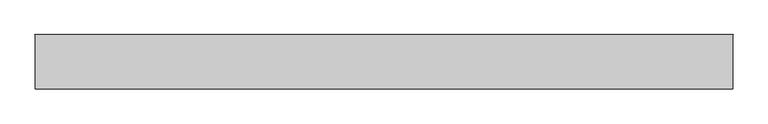
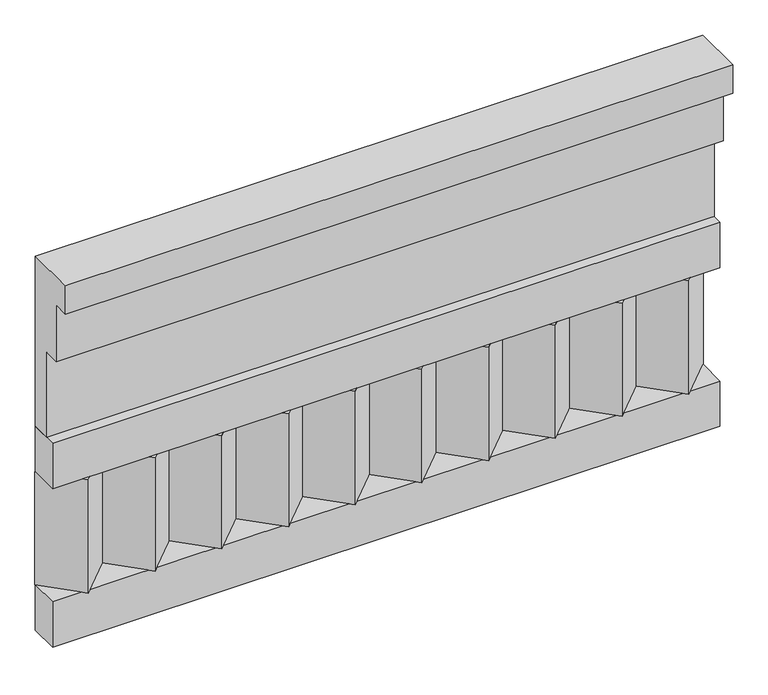
"""IFC4 building model written with IfcOpenShell, lengths in millimetres: railing geometry."""

from ifc_helpers import new_model, si_unit, frame, origin, place, context, project, spatial, polyline, outline, extrude, source, transform, mapped, element, save


def railing_d24bd83d(model_context):
    return source(origin(), model_context, "Body", "SweptSolid", [
        extrude(outline(polyline([(-16816.8920513, 27830.0), (-16816.8920513, 27380.0), (-16866.8920513, 27380.0), (-16866.8920513, 27605.0), (-16906.8920513, 27605.0), (-16906.8920513, 27755.0), (-16946.8920513, 27755.0), (-16946.8920513, 27830.0), (-16816.8920513, 27830.0)])), frame((-5539.9887159, 0.0, 0.0), z_axis=(1.0, 0.0, 0.0), x_axis=(0.0, 1.0, 0.0)), (0.0, 0.0, 1.0), 1670.0),
        extrude(outline(polyline([(-5539.9887159, -16891.8920513), (-5539.9887159, -16816.8920513), (-3869.9887159, -16816.8920513), (-3869.9887159, -16891.8920513), (-5539.9887159, -16891.8920513)])), frame((0.0, 0.0, 27260.0), z_axis=(0.0, 0.0, 1.0), x_axis=(1.0, 0.0, 0.0)), (0.0, 0.0, 1.0), 120.0),
        extrude(outline(polyline([(-5539.9887159, -16891.8920513), (-5539.9887159, -16816.8920513), (-3869.9887159, -16816.8920513), (-3869.9887159, -16891.8920513), (-5539.9887159, -16891.8920513)])), frame((0.0, 0.0, 26840.0), z_axis=(0.0, 0.0, 1.0), x_axis=(1.0, 0.0, 0.0)), (0.0, 0.0, 1.0), 120.0),
        extrude(outline(polyline([(-3953.4887159, -16901.7448651), (-4038.3415296, -16816.8920513), (-3868.6359022, -16816.8920513), (-3953.4887159, -16901.7448651)])), frame((0.0, 0.0, 26960.0), z_axis=(0.0, 0.0, 1.0), x_axis=(1.0, 0.0, 0.0)), (0.0, 0.0, 1.0), 300.0),
        extrude(outline(polyline([(-4120.4887159, -16901.7448651), (-4205.3415296, -16816.8920513), (-4035.6359022, -16816.8920513), (-4120.4887159, -16901.7448651)])), frame((0.0, 0.0, 26960.0), z_axis=(0.0, 0.0, 1.0), x_axis=(1.0, 0.0, 0.0)), (0.0, 0.0, 1.0), 300.0),
        extrude(outline(polyline([(-4287.4887159, -16901.7448651), (-4372.3415296, -16816.8920513), (-4202.6359022, -16816.8920513), (-4287.4887159, -16901.7448651)])), frame((0.0, 0.0, 26960.0), z_axis=(0.0, 0.0, 1.0), x_axis=(1.0, 0.0, 0.0)), (0.0, 0.0, 1.0), 300.0),
        extrude(outline(polyline([(-4454.4887159, -16901.7448651), (-4539.3415296, -16816.8920513), (-4369.6359022, -16816.8920513), (-4454.4887159, -16901.7448651)])), frame((0.0, 0.0, 26960.0), z_axis=(0.0, 0.0, 1.0), x_axis=(1.0, 0.0, 0.0)), (0.0, 0.0, 1.0), 300.0),
        extrude(outline(polyline([(-4621.4887159, -16901.7448651), (-4706.3415296, -16816.8920513), (-4536.6359022, -16816.8920513), (-4621.4887159, -16901.7448651)])), frame((0.0, 0.0, 26960.0), z_axis=(0.0, 0.0, 1.0), x_axis=(1.0, 0.0, 0.0)), (0.0, 0.0, 1.0), 300.0),
        extrude(outline(polyline([(-4788.4887159, -16901.7448651), (-4873.3415296, -16816.8920513), (-4703.6359022, -16816.8920513), (-4788.4887159, -16901.7448651)])), frame((0.0, 0.0, 26960.0), z_axis=(0.0, 0.0, 1.0), x_axis=(1.0, 0.0, 0.0)), (0.0, 0.0, 1.0), 300.0),
        extrude(outline(polyline([(-4955.4887159, -16901.7448651), (-5040.3415296, -16816.8920513), (-4870.6359022, -16816.8920513), (-4955.4887159, -16901.7448651)])), frame((0.0, 0.0, 26960.0), z_axis=(0.0, 0.0, 1.0), x_axis=(1.0, 0.0, 0.0)), (0.0, 0.0, 1.0), 300.0),
        extrude(outline(polyline([(-5122.4887159, -16901.7448651), (-5207.3415296, -16816.8920513), (-5037.6359022, -16816.8920513), (-5122.4887159, -16901.7448651)])), frame((0.0, 0.0, 26960.0), z_axis=(0.0, 0.0, 1.0), x_axis=(1.0, 0.0, 0.0)), (0.0, 0.0, 1.0), 300.0),
        extrude(outline(polyline([(-5289.4887159, -16901.7448651), (-5374.3415296, -16816.8920513), (-5204.6359022, -16816.8920513), (-5289.4887159, -16901.7448651)])), frame((0.0, 0.0, 26960.0), z_axis=(0.0, 0.0, 1.0), x_axis=(1.0, 0.0, 0.0)), (0.0, 0.0, 1.0), 300.0),
        extrude(outline(polyline([(-5456.4887159, -16901.7448651), (-5541.3415296, -16816.8920513), (-5371.6359022, -16816.8920513), (-5456.4887159, -16901.7448651)])), frame((0.0, 0.0, 26960.0), z_axis=(0.0, 0.0, 1.0), x_axis=(1.0, 0.0, 0.0)), (0.0, 0.0, 1.0), 300.0),
    ])


if __name__ == "__main__":
    model = new_model("IFC4")
    model_context = context("Model", 3, world=origin())
    ifc_project = project(units=[si_unit("LENGTHUNIT", "METRE", prefix="MILLI")], contexts=[model_context])
    site = spatial("IfcSite", under=ifc_project)
    building = spatial("IfcBuilding", under=site)
    placement = place(None, origin())
    railing_shape = railing_d24bd83d(model_context)
    element("IfcRailing", 1, at=placement, inside=building, context=model_context, shape_type="MappedRepresentation", body=[
        mapped(railing_shape, transform((0.0, 0.0, 0.0), x_axis=(1.0, 0.0, 0.0), y_axis=(0.0, 1.0, 0.0), z_axis=(0.0, 0.0, 1.0))),
    ])
    save(model, "model.ifc")
